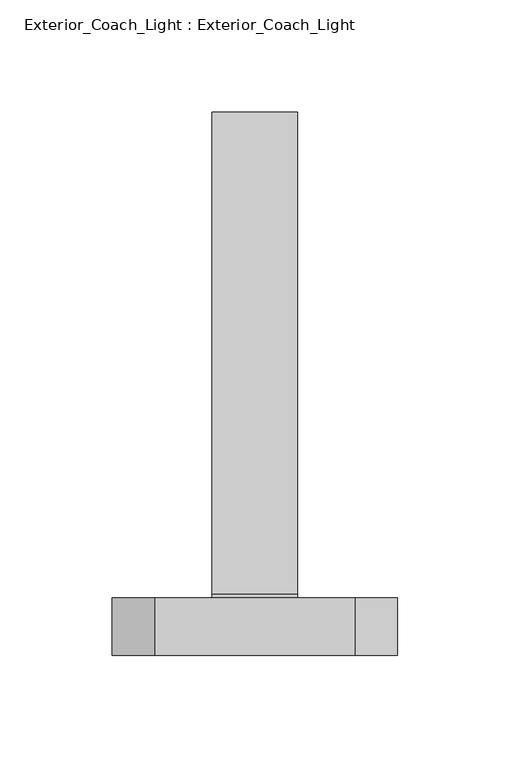
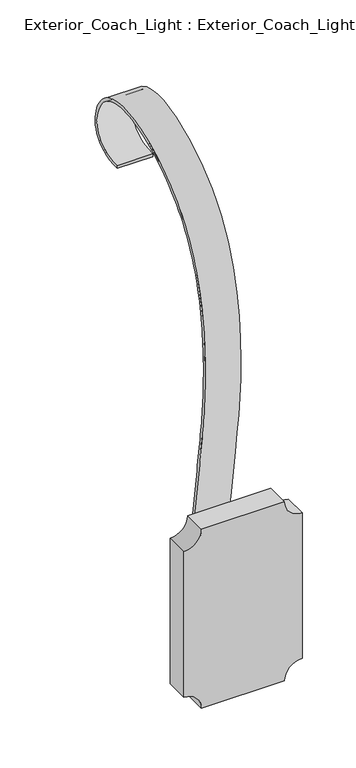
"""IFC4 building model written with IfcOpenShell, lengths in millimetres: light fixture geometry, Exterior_Coach_Light : Exterior_Coach_Light."""

from ifc_helpers import new_model, si_unit, point, frame, frame_2d, origin, place, context, project, spatial, polyline, circle_curve, trimmed, segment, composite_curve, outline, extrude, source, transform, mapped, element, save
from ifc_brep_helpers import plane_surface, extruded_surface, spline_curve, advanced_brep


def exterior_coach_light_exterior_coach_light_f37956aa(model_context):
    return source(origin(), model_context, "Body", "SolidModel", [
        advanced_brep(
        [(-19.05, -13.9292211, 2284.4664381), (-19.05, -13.9292211, 2281.2914381), (19.05, -13.9292211, 2281.2914381), (19.05, -13.9292211, 2284.4664381), (-19.05, -190.8849227, 1923.2332966), (19.05, -190.8849227, 1923.2332966), (19.05, -187.714274, 1923.3994632), (-19.05, -187.714274, 1923.3994632)],
        [
            (0, 1),
            (1, 2),
            (2, 3),
            (3, 0),
            (4, 5),
            (5, 6),
            (6, 7),
            (7, 4),
            (0, 4, spline_curve(3, [(-19.05, -13.9292211, 2284.4664381), (-19.05, -3.621005863, 2284.4664381), (-19.05, 4.21713535, 2286.366735119), (-19.05, 15.74838365, 2292.473302081), (-19.05, 19.441490755, 2296.679572052), (-19.05, 23.628709445, 2306.393643348), (-19.05, 24.12282102, 2311.901444622), (-19.05, 22.37240298, 2323.090048778), (-19.05, 20.127873377, 2328.77085169), (-19.05, 15.173933211, 2336.410824505), (-19.05, 13.25809552, 2338.810610167), (-19.05, 8.99202168, 2343.147204233), (-19.05, 6.641785508, 2345.084012568), (-19.05, 1.565231492, 2348.396002632), (-19.05, -1.161086367, 2349.771184396), (-19.05, -6.951613433, 2352.006684804), (-19.05, -10.01582267, 2352.867003523), (-19.05, -19.634213359, 2354.699059054), (-19.05, -26.614157864, 2354.921895238), (-19.05, -41.238234136, 2353.561426162), (-19.05, -48.882365881, 2351.978120901), (-19.05, -64.351933319, 2347.221235099), (-19.05, -72.17736898, 2344.04765455), (-19.05, -87.52927642, 2336.33967705), (-19.05, -95.055748208, 2331.805280092), (-19.05, -109.355194792, 2321.609153708), (-19.05, -116.12816961, 2315.947424229), (-19.05, -128.39060399, 2303.739251771), (-19.05, -133.880063548, 2297.192808793), (-19.05, -143.577840852, 2283.401959807), (-19.05, -147.786158571, 2276.157553846), (-19.05, -155.110275629, 2261.170723554), (-19.05, -158.226074993, 2253.428299149), (-19.05, -163.504760807, 2237.647131451), (-19.05, -165.667647249, 2229.6083881), (-19.05, -169.194363151, 2213.4419331), (-19.05, -170.558192547, 2205.314221514), (-19.05, -172.635618453, 2189.167209686), (-19.05, -173.349214988, 2181.147909458), (-19.05, -174.287299812, 2165.455520542), (-19.05, -174.511788141, 2157.782431873), (-19.05, -174.588800059, 2142.850504127), (-19.05, -174.441323681, 2135.591665066), (-19.05, -173.816071319, 2121.240908734), (-19.05, -173.338295329, 2114.148991391), (-19.05, -172.107351071, 2099.938131809), (-19.05, -171.354182715, 2092.819189564), (-19.05, -169.624057885, 2078.357737436), (-19.05, -168.647101346, 2071.015227628), (-19.05, -166.520988854, 2055.873068572), (-19.05, -165.371832938, 2048.073419391), (-19.05, -162.958600662, 2031.959297409), (-19.05, -161.694524311, 2023.644824578), (-19.05, -159.115370289, 2006.787461222), (-19.05, -157.8002926, 1998.24457069), (-19.05, -155.1883314, 1981.16075531), (-19.05, -153.891447959, 1972.619830496), (-19.05, -151.992647371, 1959.982374152), (-19.05, -151.367467959, 1955.798877148), (-19.05, -150.174496841, 1947.536996052), (-19.05, -149.606705117, 1943.458611901), (-19.05, -148.625629083, 1935.504435699), (-19.05, -148.212344688, 1931.628643684), (-19.05, -147.625589312, 1924.165244916), (-19.05, -147.452118315, 1920.577638144), (-19.05, -147.441297485, 1913.772959456), (-19.05, -147.603947669, 1910.5558875), (-19.05, -148.350312331, 1904.5736321), (-19.05, -148.934026861, 1901.80844872), (-19.05, -150.717608339, 1896.77745048), (-19.05, -151.917475317, 1894.511635563), (-19.05, -154.389651241, 1891.634974769), (-19.05, -155.32577245, 1890.763098083), (-19.05, -157.42647435, 1889.228622317), (-19.05, -158.591055044, 1888.566023278), (-19.05, -161.165924956, 1887.462505522), (-19.05, -162.576214177, 1887.021586891), (-19.05, -165.600901023, 1886.374759109), (-19.05, -167.215298599, 1886.168849939), (-19.05, -170.492073601, 1886.043601061), (-19.05, -172.15445106, 1886.124261347), (-19.05, -174.57438882, 1886.507178276), (-19.05, -175.368763287, 1886.678471622), (-19.05, -176.924956513, 1887.125557178), (-19.05, -177.686775224, 1887.401349359), (-19.05, -179.173071776, 1888.088665841), (-19.05, -179.897549616, 1888.500190122), (-19.05, -181.295333584, 1889.477268678), (-19.05, -181.968639708, 1890.04282292), (-19.05, -183.258769092, 1891.34334288), (-19.05, -183.875592367, 1892.078308606), (-19.05, -184.758911666, 1893.310059847), (-19.05, -185.046365511, 1893.742194025), (-19.05, -185.614722689, 1894.671923175), (-19.05, -185.895626005, 1895.169518234), (-19.05, -186.71636479, 1896.793317933), (-19.05, -187.234228972, 1898.050537468), (-19.05, -188.191407228, 1901.090463732), (-19.05, -188.630721293, 1902.873170426), (-19.05, -189.825931214, 1909.328394249), (-19.05, -190.459094737, 1915.108015035), (-19.05, -190.8849227, 1923.2332966)], [4, 2, 2, 2, 2, 2, 2, 2, 2, 2, 2, 2, 2, 2, 2, 2, 2, 2, 2, 2, 2, 2, 2, 2, 2, 2, 2, 2, 2, 2, 2, 2, 2, 2, 2, 2, 2, 2, 2, 2, 2, 2, 2, 2, 2, 2, 2, 2, 2, 2, 4], [0.0, 0.07858745996426221, 0.15717491992852442, 0.23576237989278664, 0.31434983985704884, 0.35364356983918, 0.3929372998213111, 0.4322310298034422, 0.4715247597855733, 0.5501122197498355, 0.6286996797140977, 0.70728713967836, 0.7858745996426222, 0.8644620596068844, 0.9430495195711466, 1.0216369795354088, 1.100224439499671, 1.1788118994639332, 1.2573993594281954, 1.3359868193924576, 1.41457427935672, 1.4931617393209822, 1.5717491992852444, 1.6503366592495066, 1.7289241192137688, 1.807511579178031, 1.8860990391422932, 1.9646864991065554, 2.0432739590708175, 2.0825676890529485, 2.1218614190350795, 2.161155149017211, 2.200448878999342, 2.239742608981473, 2.2790363389636044, 2.3183300689457353, 2.337976933936801, 2.3576237989278663, 2.3772706639189316, 2.3969175289099973, 2.416564393901063, 2.4263878263965957, 2.4362112588921283, 2.446034691387661, 2.455858123883194, 2.465681556378727, 2.4705932726264934, 2.4755049888742597, 2.4853284213697924, 2.495151853865325, 2.5147987188563907])),
            (7, 1, spline_curve(3, [(-19.05, -187.714274, 1923.3994632), (-19.05, -187.292963316, 1915.360376454), (-19.05, -186.666062697, 1909.701581177), (-19.05, -185.527727702, 1903.553521012), (-19.05, -185.115285298, 1901.89418979), (-19.05, -184.253251302, 1899.15312841), (-19.05, -183.803659637, 1898.07139827), (-19.05, -182.867067963, 1896.21371153), (-19.05, -182.380068019, 1895.437754907), (-19.05, -181.385088381, 1894.056843293), (-19.05, -180.877108781, 1893.451888342), (-19.05, -179.843659619, 1892.407832258), (-19.05, -179.318190041, 1891.968731142), (-19.05, -178.235842159, 1891.212693858), (-19.05, -177.678963827, 1890.895757606), (-19.05, -176.516003573, 1890.358016394), (-19.05, -175.909921645, 1890.137211421), (-19.05, -174.632731755, 1889.770608579), (-19.05, -173.961623795, 1889.624810731), (-19.05, -171.88870961, 1889.296532337), (-19.05, -170.427313125, 1889.223166862), (-19.05, -167.522850075, 1889.334640938), (-19.05, -166.079783512, 1889.51948047), (-19.05, -163.424161488, 1890.08669813), (-19.05, -162.211606003, 1890.469076298), (-19.05, -160.049068397, 1891.395034302), (-19.05, -159.099086273, 1891.938614206), (-19.05, -157.397130527, 1893.181964794), (-19.05, -156.645156877, 1893.881735404), (-19.05, -155.302361123, 1895.444277196), (-19.05, -154.711538979, 1896.307048315), (-19.05, -153.667320621, 1898.202190685), (-19.05, -153.213924474, 1899.234561993), (-19.05, -152.031880752, 1902.579003114), (-19.05, -151.481378036, 1905.138400306), (-19.05, -150.773133964, 1910.784419894), (-19.05, -150.615392632, 1913.871042252), (-19.05, -150.634322536, 1923.766314696), (-19.05, -151.303147739, 1931.210369951), (-19.05, -153.231511061, 1946.976016049), (-19.05, -154.491049133, 1955.297606919), (-19.05, -157.040081467, 1972.151638281), (-19.05, -158.329575725, 1980.6840788), (-19.05, -160.935994675, 1997.760808), (-19.05, -162.252919357, 2006.305096654), (-19.05, -164.833925643, 2023.166775346), (-19.05, -166.098007261, 2031.484165311), (-19.05, -168.512536339, 2047.609020689), (-19.05, -169.662983825, 2055.416486109), (-19.05, -171.793327975, 2070.588197691), (-19.05, -172.773224661, 2077.952443894), (-19.05, -174.510070339, 2092.470301506), (-19.05, -175.267019352, 2099.623912978), (-19.05, -176.504944848, 2113.915301822), (-19.05, -176.985921375, 2121.053079156), (-19.05, -177.615434425, 2135.502616844), (-19.05, -177.763970944, 2142.814377121), (-19.05, -177.686521456, 2157.853448279), (-19.05, -177.460535372, 2165.580759217), (-19.05, -176.514773428, 2181.399751383), (-19.05, -175.794997569, 2189.491432638), (-19.05, -173.696833031, 2205.800831962), (-19.05, -172.318444393, 2214.018550006), (-19.05, -168.747670407, 2230.385133594), (-19.05, -166.555285031, 2238.533999159), (-19.05, -161.197714769, 2254.555392841), (-19.05, -158.032529911, 2262.427920956), (-19.05, -150.568368889, 2277.689905644), (-19.05, -146.269392676, 2285.079362211), (-19.05, -138.856759162, 2295.642595144), (-19.05, -136.225186428, 2299.076847511), (-19.05, -130.613317572, 2305.744848089), (-19.05, -127.633021518, 2308.97859633), (-19.05, -118.224906263, 2318.330342639), (-19.05, -111.329860245, 2324.098842209), (-19.05, -96.768901755, 2334.484971591), (-19.05, -89.102989227, 2339.102601382), (-19.05, -73.452651973, 2346.959738818), (-19.05, -65.46822729, 2350.199246437), (-19.05, -49.63260411, 2355.069586963), (-19.05, -41.781405665, 2356.70041984), (-19.05, -26.659084935, 2358.10560976), (-19.05, -19.387962612, 2357.879966812), (-19.05, -5.868319988, 2355.313362988), (-19.05, 0.380200362, 2352.972402154), (-19.05, 11.291088638, 2345.829391046), (-19.05, 15.953456546, 2341.027340796), (-19.05, 23.024076654, 2330.157167804), (-19.05, 25.432328865, 2324.089045089), (-19.05, 27.336670935, 2311.883385911), (-19.05, 26.832760769, 2305.745849455), (-19.05, 22.063391831, 2294.801345745), (-19.05, 17.797933062, 2289.994378403), (-19.05, 5.149638938, 2283.239424597), (-19.05, -3.233196413, 2281.2914381), (-19.05, -13.9292211, 2281.2914381)], [4, 2, 2, 2, 2, 2, 2, 2, 2, 2, 2, 2, 2, 2, 2, 2, 2, 2, 2, 2, 2, 2, 2, 2, 2, 2, 2, 2, 2, 2, 2, 2, 2, 2, 2, 2, 2, 2, 2, 2, 2, 2, 2, 2, 2, 2, 2, 4], [0.0, 0.019646864991065716, 0.02947029748659835, 0.03929372998213099, 0.04911716247766362, 0.0589405949731967, 0.06876402746872978, 0.07858745996426242, 0.08841089245979505, 0.09823432495532769, 0.1178811899463934, 0.13752805493745912, 0.1571749199285244, 0.17682178491958966, 0.19646864991065538, 0.2161155149017211, 0.23576237989278637, 0.2750561098749178, 0.3143498398570488, 0.3929372998213112, 0.4715247597855732, 0.5501122197498354, 0.6286996797140976, 0.7072871396783598, 0.785874599642622, 0.8644620596068842, 0.9430495195711464, 1.0216369795354086, 1.1002244394996707, 1.1788118994639332, 1.2573993594281954, 1.3359868193924576, 1.4145742793567198, 1.493161739320982, 1.5717491992852441, 1.6110429292673754, 1.6503366592495063, 1.7289241192137685, 1.8075115791780307, 1.8860990391422932, 1.9646864991065551, 2.0432739590708175, 2.1218614190350795, 2.200448878999342, 2.279036338963604, 2.3576237989278663, 2.4362112588921283, 2.5147987188563907])),
            (6, 2, spline_curve(3, [(19.05, -187.714274, 1923.3994632), (19.05, -187.292963316, 1915.360376454), (19.05, -186.666062697, 1909.701581177), (19.05, -185.527727702, 1903.553521012), (19.05, -185.115285298, 1901.89418979), (19.05, -184.253251302, 1899.15312841), (19.05, -183.803659637, 1898.07139827), (19.05, -182.867067963, 1896.21371153), (19.05, -182.380068019, 1895.437754907), (19.05, -181.385088381, 1894.056843293), (19.05, -180.877108781, 1893.451888342), (19.05, -179.843659619, 1892.407832258), (19.05, -179.318190041, 1891.968731142), (19.05, -178.235842159, 1891.212693858), (19.05, -177.678963827, 1890.895757606), (19.05, -176.516003573, 1890.358016394), (19.05, -175.909921645, 1890.137211421), (19.05, -174.632731755, 1889.770608579), (19.05, -173.961623795, 1889.624810731), (19.05, -171.88870961, 1889.296532337), (19.05, -170.427313125, 1889.223166862), (19.05, -167.522850075, 1889.334640938), (19.05, -166.079783512, 1889.51948047), (19.05, -163.424161488, 1890.08669813), (19.05, -162.211606003, 1890.469076298), (19.05, -160.049068397, 1891.395034302), (19.05, -159.099086273, 1891.938614206), (19.05, -157.397130527, 1893.181964794), (19.05, -156.645156877, 1893.881735404), (19.05, -155.302361123, 1895.444277196), (19.05, -154.711538979, 1896.307048315), (19.05, -153.667320621, 1898.202190685), (19.05, -153.213924474, 1899.234561993), (19.05, -152.031880752, 1902.579003114), (19.05, -151.481378036, 1905.138400306), (19.05, -150.773133964, 1910.784419894), (19.05, -150.615392632, 1913.871042252), (19.05, -150.634322536, 1923.766314696), (19.05, -151.303147739, 1931.210369951), (19.05, -153.231511061, 1946.976016049), (19.05, -154.491049133, 1955.297606919), (19.05, -157.040081467, 1972.151638281), (19.05, -158.329575725, 1980.6840788), (19.05, -160.935994675, 1997.760808), (19.05, -162.252919357, 2006.305096654), (19.05, -164.833925643, 2023.166775346), (19.05, -166.098007261, 2031.484165311), (19.05, -168.512536339, 2047.609020689), (19.05, -169.662983825, 2055.416486109), (19.05, -171.793327975, 2070.588197691), (19.05, -172.773224661, 2077.952443894), (19.05, -174.510070339, 2092.470301506), (19.05, -175.267019352, 2099.623912978), (19.05, -176.504944848, 2113.915301822), (19.05, -176.985921375, 2121.053079156), (19.05, -177.615434425, 2135.502616844), (19.05, -177.763970944, 2142.814377121), (19.05, -177.686521456, 2157.853448279), (19.05, -177.460535372, 2165.580759217), (19.05, -176.514773428, 2181.399751383), (19.05, -175.794997569, 2189.491432638), (19.05, -173.696833031, 2205.800831962), (19.05, -172.318444393, 2214.018550006), (19.05, -168.747670407, 2230.385133594), (19.05, -166.555285031, 2238.533999159), (19.05, -161.197714769, 2254.555392841), (19.05, -158.032529911, 2262.427920956), (19.05, -150.568368889, 2277.689905644), (19.05, -146.269392676, 2285.079362211), (19.05, -138.856759162, 2295.642595144), (19.05, -136.225186428, 2299.076847511), (19.05, -130.613317572, 2305.744848089), (19.05, -127.633021518, 2308.97859633), (19.05, -118.224906263, 2318.330342639), (19.05, -111.329860245, 2324.098842209), (19.05, -96.768901755, 2334.484971591), (19.05, -89.102989227, 2339.102601382), (19.05, -73.452651973, 2346.959738818), (19.05, -65.46822729, 2350.199246437), (19.05, -49.63260411, 2355.069586963), (19.05, -41.781405665, 2356.70041984), (19.05, -26.659084935, 2358.10560976), (19.05, -19.387962612, 2357.879966812), (19.05, -5.868319988, 2355.313362988), (19.05, 0.380200362, 2352.972402154), (19.05, 11.291088638, 2345.829391046), (19.05, 15.953456546, 2341.027340796), (19.05, 23.024076654, 2330.157167804), (19.05, 25.432328865, 2324.089045089), (19.05, 27.336670935, 2311.883385911), (19.05, 26.832760769, 2305.745849455), (19.05, 22.063391831, 2294.801345745), (19.05, 17.797933062, 2289.994378403), (19.05, 5.149638938, 2283.239424597), (19.05, -3.233196413, 2281.2914381), (19.05, -13.9292211, 2281.2914381)], [4, 2, 2, 2, 2, 2, 2, 2, 2, 2, 2, 2, 2, 2, 2, 2, 2, 2, 2, 2, 2, 2, 2, 2, 2, 2, 2, 2, 2, 2, 2, 2, 2, 2, 2, 2, 2, 2, 2, 2, 2, 2, 2, 2, 2, 2, 2, 4], [0.0, 0.019646864991065716, 0.02947029748659835, 0.03929372998213099, 0.04911716247766362, 0.0589405949731967, 0.06876402746872978, 0.07858745996426242, 0.08841089245979505, 0.09823432495532769, 0.1178811899463934, 0.13752805493745912, 0.1571749199285244, 0.17682178491958966, 0.19646864991065538, 0.2161155149017211, 0.23576237989278637, 0.2750561098749178, 0.3143498398570488, 0.3929372998213112, 0.4715247597855732, 0.5501122197498354, 0.6286996797140976, 0.7072871396783598, 0.785874599642622, 0.8644620596068842, 0.9430495195711464, 1.0216369795354086, 1.1002244394996707, 1.1788118994639332, 1.2573993594281954, 1.3359868193924576, 1.4145742793567198, 1.493161739320982, 1.5717491992852441, 1.6110429292673754, 1.6503366592495063, 1.7289241192137685, 1.8075115791780307, 1.8860990391422932, 1.9646864991065551, 2.0432739590708175, 2.1218614190350795, 2.200448878999342, 2.279036338963604, 2.3576237989278663, 2.4362112588921283, 2.5147987188563907])),
            (5, 3, spline_curve(3, [(19.05, -190.8849227, 1923.2332966), (19.05, -190.459094737, 1915.108015035), (19.05, -189.825931214, 1909.328394249), (19.05, -188.630721293, 1902.873170426), (19.05, -188.191407228, 1901.090463732), (19.05, -187.234228972, 1898.050537468), (19.05, -186.71636479, 1896.793317933), (19.05, -185.895626005, 1895.169518234), (19.05, -185.614722689, 1894.671923175), (19.05, -185.046365511, 1893.742194025), (19.05, -184.758911666, 1893.310059847), (19.05, -183.875592367, 1892.078308606), (19.05, -183.258769092, 1891.34334288), (19.05, -181.968639708, 1890.04282292), (19.05, -181.295333584, 1889.477268678), (19.05, -179.897549616, 1888.500190122), (19.05, -179.173071776, 1888.088665841), (19.05, -177.686775224, 1887.401349359), (19.05, -176.924956513, 1887.125557178), (19.05, -175.368763287, 1886.678471622), (19.05, -174.57438882, 1886.507178276), (19.05, -172.15445106, 1886.124261347), (19.05, -170.492073601, 1886.043601061), (19.05, -167.215298599, 1886.168849939), (19.05, -165.600901023, 1886.374759109), (19.05, -162.576214177, 1887.021586891), (19.05, -161.165924956, 1887.462505522), (19.05, -158.591055044, 1888.566023278), (19.05, -157.42647435, 1889.228622317), (19.05, -155.32577245, 1890.763098083), (19.05, -154.389651241, 1891.634974769), (19.05, -151.917475317, 1894.511635563), (19.05, -150.717608339, 1896.77745048), (19.05, -148.934026861, 1901.80844872), (19.05, -148.350312331, 1904.5736321), (19.05, -147.603947669, 1910.5558875), (19.05, -147.441297485, 1913.772959456), (19.05, -147.452118315, 1920.577638144), (19.05, -147.625589312, 1924.165244916), (19.05, -148.212344688, 1931.628643684), (19.05, -148.625629083, 1935.504435699), (19.05, -149.606705117, 1943.458611901), (19.05, -150.174496841, 1947.536996052), (19.05, -151.367467959, 1955.798877148), (19.05, -151.992647371, 1959.982374152), (19.05, -153.891447959, 1972.619830496), (19.05, -155.1883314, 1981.16075531), (19.05, -157.8002926, 1998.24457069), (19.05, -159.115370289, 2006.787461222), (19.05, -161.694524311, 2023.644824578), (19.05, -162.958600662, 2031.959297409), (19.05, -165.371832938, 2048.073419391), (19.05, -166.520988854, 2055.873068572), (19.05, -168.647101346, 2071.015227628), (19.05, -169.624057885, 2078.357737436), (19.05, -171.354182715, 2092.819189564), (19.05, -172.107351071, 2099.938131809), (19.05, -173.338295329, 2114.148991391), (19.05, -173.816071319, 2121.240908734), (19.05, -174.441323681, 2135.591665066), (19.05, -174.588800059, 2142.850504127), (19.05, -174.511788141, 2157.782431873), (19.05, -174.287299812, 2165.455520542), (19.05, -173.349214988, 2181.147909458), (19.05, -172.635618453, 2189.167209686), (19.05, -170.558192547, 2205.314221514), (19.05, -169.194363151, 2213.4419331), (19.05, -165.667647249, 2229.6083881), (19.05, -163.504760807, 2237.647131451), (19.05, -158.226074993, 2253.428299149), (19.05, -155.110275629, 2261.170723554), (19.05, -147.786158571, 2276.157553846), (19.05, -143.577840852, 2283.401959807), (19.05, -133.880063548, 2297.192808793), (19.05, -128.39060399, 2303.739251771), (19.05, -116.12816961, 2315.947424229), (19.05, -109.355194792, 2321.609153708), (19.05, -95.055748208, 2331.805280092), (19.05, -87.52927642, 2336.33967705), (19.05, -72.17736898, 2344.04765455), (19.05, -64.351933319, 2347.221235099), (19.05, -48.882365881, 2351.978120901), (19.05, -41.238234136, 2353.561426162), (19.05, -26.614157864, 2354.921895238), (19.05, -19.634213359, 2354.699059054), (19.05, -10.01582267, 2352.867003523), (19.05, -6.951613433, 2352.006684804), (19.05, -1.161086367, 2349.771184396), (19.05, 1.565231492, 2348.396002632), (19.05, 6.641785508, 2345.084012568), (19.05, 8.99202168, 2343.147204233), (19.05, 13.25809552, 2338.810610167), (19.05, 15.173933211, 2336.410824505), (19.05, 20.127873377, 2328.77085169), (19.05, 22.37240298, 2323.090048778), (19.05, 24.12282102, 2311.901444622), (19.05, 23.628709445, 2306.393643348), (19.05, 19.441490755, 2296.679572052), (19.05, 15.74838365, 2292.473302081), (19.05, 4.21713535, 2286.366735119), (19.05, -3.621005863, 2284.4664381), (19.05, -13.9292211, 2284.4664381)], [4, 2, 2, 2, 2, 2, 2, 2, 2, 2, 2, 2, 2, 2, 2, 2, 2, 2, 2, 2, 2, 2, 2, 2, 2, 2, 2, 2, 2, 2, 2, 2, 2, 2, 2, 2, 2, 2, 2, 2, 2, 2, 2, 2, 2, 2, 2, 2, 2, 2, 4], [0.0, 0.019646864991065716, 0.02947029748659835, 0.03929372998213099, 0.044205446229897305, 0.04911716247766362, 0.0589405949731967, 0.06876402746872978, 0.07858745996426242, 0.08841089245979505, 0.09823432495532769, 0.1178811899463934, 0.13752805493745912, 0.1571749199285244, 0.17682178491958966, 0.19646864991065538, 0.23576237989278637, 0.2750561098749178, 0.3143498398570488, 0.35364356983917977, 0.3929372998213112, 0.4322310298034422, 0.4715247597855732, 0.5501122197498354, 0.6286996797140976, 0.7072871396783598, 0.785874599642622, 0.8644620596068842, 0.9430495195711464, 1.0216369795354086, 1.1002244394996707, 1.1788118994639332, 1.2573993594281954, 1.3359868193924576, 1.4145742793567198, 1.493161739320982, 1.5717491992852441, 1.6503366592495063, 1.7289241192137685, 1.8075115791780307, 1.8860990391422932, 1.9646864991065551, 2.0432739590708175, 2.0825676890529485, 2.1218614190350795, 2.161155149017211, 2.200448878999342, 2.279036338963604, 2.3576237989278663, 2.4362112588921283, 2.5147987188563907])),
        ],
        [
            plane_surface(frame((0.0, -13.9292211, 2282.8789381), z_axis=(0.0, -1.0, 0.0), x_axis=(-1.0, 0.0, 0.0))),
            plane_surface(frame((0.0, -189.2995984, 1923.3163799), z_axis=(0.0, -0.052335956242936854, 0.9986295347545744), x_axis=(-1.0, 0.0, 0.0))),
            plane_surface(frame((-19.05, -171.5969055, 2197.2407156), z_axis=(-1.0, 0.0, 0.0), x_axis=(0.0, -0.12759603014478746, -0.9918262212158391))),
            extruded_surface(spline_curve(3, [(-19.05, -13.9292211, 2281.2914381), (-19.05, -3.233196413, 2281.2914381), (-19.05, 5.149638938, 2283.239424597), (-19.05, 17.797933062, 2289.994378403), (-19.05, 22.063391831, 2294.801345745), (-19.05, 26.832760769, 2305.745849455), (-19.05, 27.336670935, 2311.883385911), (-19.05, 25.432328865, 2324.089045089), (-19.05, 23.024076654, 2330.157167804), (-19.05, 15.953456546, 2341.027340796), (-19.05, 11.291088638, 2345.829391046), (-19.05, 0.380200362, 2352.972402154), (-19.05, -5.868319988, 2355.313362988), (-19.05, -19.387962612, 2357.879966812), (-19.05, -26.659084935, 2358.10560976), (-19.05, -41.781405665, 2356.70041984), (-19.05, -49.63260411, 2355.069586963), (-19.05, -65.46822729, 2350.199246437), (-19.05, -73.452651973, 2346.959738818), (-19.05, -89.102989227, 2339.102601382), (-19.05, -96.768901755, 2334.484971591), (-19.05, -111.329860245, 2324.098842209), (-19.05, -118.224906263, 2318.330342639), (-19.05, -127.633021518, 2308.97859633), (-19.05, -130.613317572, 2305.744848089), (-19.05, -136.225186428, 2299.076847511), (-19.05, -138.856759162, 2295.642595144), (-19.05, -146.269392676, 2285.079362211), (-19.05, -150.568368889, 2277.689905644), (-19.05, -158.032529911, 2262.427920956), (-19.05, -161.197714769, 2254.555392841), (-19.05, -166.555285031, 2238.533999159), (-19.05, -168.747670407, 2230.385133594), (-19.05, -172.318444393, 2214.018550006), (-19.05, -173.696833031, 2205.800831962), (-19.05, -175.794997569, 2189.491432638), (-19.05, -176.514773428, 2181.399751383), (-19.05, -177.460535372, 2165.580759217), (-19.05, -177.686521456, 2157.853448279), (-19.05, -177.763970944, 2142.814377121), (-19.05, -177.615434425, 2135.502616844), (-19.05, -176.985921375, 2121.053079156), (-19.05, -176.504944848, 2113.915301822), (-19.05, -175.267019352, 2099.623912978), (-19.05, -174.510070339, 2092.470301506), (-19.05, -172.773224661, 2077.952443894), (-19.05, -171.793327975, 2070.588197691), (-19.05, -169.662983825, 2055.416486109), (-19.05, -168.512536339, 2047.609020689), (-19.05, -166.098007261, 2031.484165311), (-19.05, -164.833925643, 2023.166775346), (-19.05, -162.252919357, 2006.305096654), (-19.05, -160.935994675, 1997.760808), (-19.05, -158.329575725, 1980.6840788), (-19.05, -157.040081467, 1972.151638281), (-19.05, -154.491049133, 1955.297606919), (-19.05, -153.231511061, 1946.976016049), (-19.05, -151.303147739, 1931.210369951), (-19.05, -150.634322536, 1923.766314696), (-19.05, -150.615392632, 1913.871042252), (-19.05, -150.773133964, 1910.784419894), (-19.05, -151.481378036, 1905.138400306), (-19.05, -152.031880752, 1902.579003114), (-19.05, -153.213924474, 1899.234561993), (-19.05, -153.667320621, 1898.202190685), (-19.05, -154.711538979, 1896.307048315), (-19.05, -155.302361123, 1895.444277196), (-19.05, -156.645156877, 1893.881735404), (-19.05, -157.397130527, 1893.181964794), (-19.05, -159.099086273, 1891.938614206), (-19.05, -160.049068397, 1891.395034302), (-19.05, -162.211606003, 1890.469076298), (-19.05, -163.424161488, 1890.08669813), (-19.05, -166.079783512, 1889.51948047), (-19.05, -167.522850075, 1889.334640938), (-19.05, -170.427313125, 1889.223166862), (-19.05, -171.88870961, 1889.296532337), (-19.05, -173.961623795, 1889.624810731), (-19.05, -174.632731755, 1889.770608579), (-19.05, -175.909921645, 1890.137211421), (-19.05, -176.516003573, 1890.358016394), (-19.05, -177.678963827, 1890.895757606), (-19.05, -178.235842159, 1891.212693858), (-19.05, -179.318190041, 1891.968731142), (-19.05, -179.843659619, 1892.407832258), (-19.05, -180.877108781, 1893.451888342), (-19.05, -181.385088381, 1894.056843293), (-19.05, -182.380068019, 1895.437754907), (-19.05, -182.867067963, 1896.21371153), (-19.05, -183.803659637, 1898.07139827), (-19.05, -184.253251302, 1899.15312841), (-19.05, -185.115285298, 1901.89418979), (-19.05, -185.527727702, 1903.553521012), (-19.05, -186.666062697, 1909.701581177), (-19.05, -187.292963316, 1915.360376454), (-19.05, -187.714274, 1923.3994632)], [4, 2, 2, 2, 2, 2, 2, 2, 2, 2, 2, 2, 2, 2, 2, 2, 2, 2, 2, 2, 2, 2, 2, 2, 2, 2, 2, 2, 2, 2, 2, 2, 2, 2, 2, 2, 2, 2, 2, 2, 2, 2, 2, 2, 2, 2, 2, 4], [0.0, 0.07858745996426221, 0.15717491992852442, 0.23576237989278664, 0.31434983985704884, 0.3929372998213111, 0.4715247597855733, 0.5501122197498355, 0.6286996797140977, 0.70728713967836, 0.7858745996426222, 0.8644620596068844, 0.9037557895890155, 0.9430495195711466, 1.0216369795354088, 1.100224439499671, 1.1788118994639332, 1.2573993594281954, 1.3359868193924576, 1.41457427935672, 1.4931617393209822, 1.5717491992852444, 1.6503366592495066, 1.7289241192137688, 1.807511579178031, 1.8860990391422932, 1.9646864991065554, 2.0432739590708175, 2.1218614190350795, 2.200448878999342, 2.239742608981473, 2.2790363389636044, 2.2986832039546696, 2.3183300689457353, 2.337976933936801, 2.3576237989278663, 2.3772706639189316, 2.3969175289099973, 2.416564393901063, 2.4263878263965957, 2.4362112588921283, 2.446034691387661, 2.455858123883194, 2.465681556378727, 2.4755049888742597, 2.4853284213697924, 2.495151853865325, 2.5147987188563907]), (38.1, 0.0, 0.0), 38.1),
            plane_surface(frame((19.05, -174.7459153, 2197.6461323), z_axis=(1.0, 0.0, 0.0), x_axis=(0.0, -0.12760522190334297, -0.991825038675168))),
            extruded_surface(spline_curve(3, [(19.05, -13.9292211, 2284.4664381), (19.05, -3.621005863, 2284.4664381), (19.05, 4.21713535, 2286.366735119), (19.05, 15.74838365, 2292.473302081), (19.05, 19.441490755, 2296.679572052), (19.05, 23.628709445, 2306.393643348), (19.05, 24.12282102, 2311.901444622), (19.05, 22.37240298, 2323.090048778), (19.05, 20.127873377, 2328.77085169), (19.05, 15.173933211, 2336.410824505), (19.05, 13.25809552, 2338.810610167), (19.05, 8.99202168, 2343.147204233), (19.05, 6.641785508, 2345.084012568), (19.05, 1.565231492, 2348.396002632), (19.05, -1.161086367, 2349.771184396), (19.05, -6.951613433, 2352.006684804), (19.05, -10.01582267, 2352.867003523), (19.05, -19.634213359, 2354.699059054), (19.05, -26.614157864, 2354.921895238), (19.05, -41.238234136, 2353.561426162), (19.05, -48.882365881, 2351.978120901), (19.05, -64.351933319, 2347.221235099), (19.05, -72.17736898, 2344.04765455), (19.05, -87.52927642, 2336.33967705), (19.05, -95.055748208, 2331.805280092), (19.05, -109.355194792, 2321.609153708), (19.05, -116.12816961, 2315.947424229), (19.05, -128.39060399, 2303.739251771), (19.05, -133.880063548, 2297.192808793), (19.05, -143.577840852, 2283.401959807), (19.05, -147.786158571, 2276.157553846), (19.05, -155.110275629, 2261.170723554), (19.05, -158.226074993, 2253.428299149), (19.05, -163.504760807, 2237.647131451), (19.05, -165.667647249, 2229.6083881), (19.05, -169.194363151, 2213.4419331), (19.05, -170.558192547, 2205.314221514), (19.05, -172.635618453, 2189.167209686), (19.05, -173.349214988, 2181.147909458), (19.05, -174.287299812, 2165.455520542), (19.05, -174.511788141, 2157.782431873), (19.05, -174.588800059, 2142.850504127), (19.05, -174.441323681, 2135.591665066), (19.05, -173.816071319, 2121.240908734), (19.05, -173.338295329, 2114.148991391), (19.05, -172.107351071, 2099.938131809), (19.05, -171.354182715, 2092.819189564), (19.05, -169.624057885, 2078.357737436), (19.05, -168.647101346, 2071.015227628), (19.05, -166.520988854, 2055.873068572), (19.05, -165.371832938, 2048.073419391), (19.05, -162.958600662, 2031.959297409), (19.05, -161.694524311, 2023.644824578), (19.05, -159.115370289, 2006.787461222), (19.05, -157.8002926, 1998.24457069), (19.05, -155.1883314, 1981.16075531), (19.05, -153.891447959, 1972.619830496), (19.05, -151.992647371, 1959.982374152), (19.05, -151.367467959, 1955.798877148), (19.05, -150.174496841, 1947.536996052), (19.05, -149.606705117, 1943.458611901), (19.05, -148.625629083, 1935.504435699), (19.05, -148.212344688, 1931.628643684), (19.05, -147.625589312, 1924.165244916), (19.05, -147.452118315, 1920.577638144), (19.05, -147.441297485, 1913.772959456), (19.05, -147.603947669, 1910.5558875), (19.05, -148.350312331, 1904.5736321), (19.05, -148.934026861, 1901.80844872), (19.05, -150.717608339, 1896.77745048), (19.05, -151.917475317, 1894.511635563), (19.05, -154.389651241, 1891.634974769), (19.05, -155.32577245, 1890.763098083), (19.05, -157.42647435, 1889.228622317), (19.05, -158.591055044, 1888.566023278), (19.05, -161.165924956, 1887.462505522), (19.05, -162.576214177, 1887.021586891), (19.05, -165.600901023, 1886.374759109), (19.05, -167.215298599, 1886.168849939), (19.05, -170.492073601, 1886.043601061), (19.05, -172.15445106, 1886.124261347), (19.05, -174.57438882, 1886.507178276), (19.05, -175.368763287, 1886.678471622), (19.05, -176.924956513, 1887.125557178), (19.05, -177.686775224, 1887.401349359), (19.05, -179.173071776, 1888.088665841), (19.05, -179.897549616, 1888.500190122), (19.05, -181.295333584, 1889.477268678), (19.05, -181.968639708, 1890.04282292), (19.05, -183.258769092, 1891.34334288), (19.05, -183.875592367, 1892.078308606), (19.05, -184.758911666, 1893.310059847), (19.05, -185.046365511, 1893.742194025), (19.05, -185.614722689, 1894.671923175), (19.05, -185.895626005, 1895.169518234), (19.05, -186.71636479, 1896.793317933), (19.05, -187.234228972, 1898.050537468), (19.05, -188.191407228, 1901.090463732), (19.05, -188.630721293, 1902.873170426), (19.05, -189.825931214, 1909.328394249), (19.05, -190.459094737, 1915.108015035), (19.05, -190.8849227, 1923.2332966)], [4, 2, 2, 2, 2, 2, 2, 2, 2, 2, 2, 2, 2, 2, 2, 2, 2, 2, 2, 2, 2, 2, 2, 2, 2, 2, 2, 2, 2, 2, 2, 2, 2, 2, 2, 2, 2, 2, 2, 2, 2, 2, 2, 2, 2, 2, 2, 2, 2, 2, 4], [0.0, 0.07858745996426221, 0.15717491992852442, 0.23576237989278664, 0.31434983985704884, 0.35364356983918, 0.3929372998213111, 0.4322310298034422, 0.4715247597855733, 0.5501122197498355, 0.6286996797140977, 0.70728713967836, 0.7858745996426222, 0.8644620596068844, 0.9430495195711466, 1.0216369795354088, 1.100224439499671, 1.1788118994639332, 1.2573993594281954, 1.3359868193924576, 1.41457427935672, 1.4931617393209822, 1.5717491992852444, 1.6503366592495066, 1.7289241192137688, 1.807511579178031, 1.8860990391422932, 1.9646864991065554, 2.0432739590708175, 2.0825676890529485, 2.1218614190350795, 2.161155149017211, 2.200448878999342, 2.239742608981473, 2.2790363389636044, 2.3183300689457353, 2.337976933936801, 2.3576237989278663, 2.3772706639189316, 2.3969175289099973, 2.416564393901063, 2.4263878263965957, 2.4362112588921283, 2.446034691387661, 2.455858123883194, 2.465681556378727, 2.4705932726264934, 2.4755049888742597, 2.4853284213697924, 2.495151853865325, 2.5147987188563907]), (-38.1, 0.0, 0.0), 38.1),
        ],
        [
            (0, [[1, 2, 3, 4]]),
            (1, [[5, 6, 7, 8]]),
            (2, [[-1, 9, -8, 10]]),
            (3, [[-2, -10, -7, 11]]),
            (4, [[-3, -11, -6, 12]]),
            (5, [[-4, -12, -5, -9]]),
        ],
    ),
        extrude(outline(composite_curve([segment(polyline([(1983.4645854, -63.5), (1818.3645854, -63.5)]), True, "CONTINUOUS"), segment(trimmed(circle_curve(frame_2d((1799.3145854, -63.5)), 19.05), [point((1818.3645854, -63.5))], [point((1799.3145854, -44.45))], True, "CARTESIAN"), True, "CONTINUOUS"), segment(polyline([(1799.3145854, -44.45), (1799.3145854, 44.45)]), True, "CONTINUOUS"), segment(trimmed(circle_curve(frame_2d((1799.3145854, 63.5)), 19.05), [point((1799.3145854, 44.45))], [point((1818.3645854, 63.5))], True, "CARTESIAN"), True, "CONTINUOUS"), segment(polyline([(1818.3645854, 63.5), (1983.4645854, 63.5)]), True, "CONTINUOUS"), segment(trimmed(circle_curve(frame_2d((2002.5145854, 63.5)), 19.05), [point((1983.4645854, 63.5))], [point((2002.5145854, 44.45))], True, "CARTESIAN"), True, "CONTINUOUS"), segment(polyline([(2002.5145854, 44.45), (2002.5145854, -44.45)]), True, "CONTINUOUS"), segment(trimmed(circle_curve(frame_2d((2002.5145854, -63.5)), 19.05), [point((2002.5145854, -44.45))], [point((1983.4645854, -63.5))], True, "CARTESIAN"), True, "CONTINUOUS")], self_intersect=False)), frame((0.0, -214.6995984, 0.0), z_axis=(0.0, 1.0, 0.0), x_axis=(0.0, 0.0, 1.0)), (0.0, 0.0, 1.0), 25.4),
    ])


if __name__ == "__main__":
    model = new_model("IFC4")
    model_context = context("Model", 3, world=origin())
    ifc_project = project(units=[si_unit("LENGTHUNIT", "METRE", prefix="MILLI")], contexts=[model_context])
    site = spatial("IfcSite", under=ifc_project)
    building = spatial("IfcBuilding", under=site)
    placement = place(None, origin())
    exterior_coach_light_exterior_coach_light_shape = exterior_coach_light_exterior_coach_light_f37956aa(model_context)
    element("IfcLightFixture", 1, ObjectType="Exterior_Coach_Light : Exterior_Coach_Light", at=placement, inside=building, context=model_context, shape_type="MappedRepresentation", body=[
        mapped(exterior_coach_light_exterior_coach_light_shape, transform((0.0, 0.0, 0.0), x_axis=(1.0, 0.0, 0.0), y_axis=(0.0, 1.0, 0.0), z_axis=(0.0, 0.0, 1.0))),
    ])
    save(model, "model.ifc")
